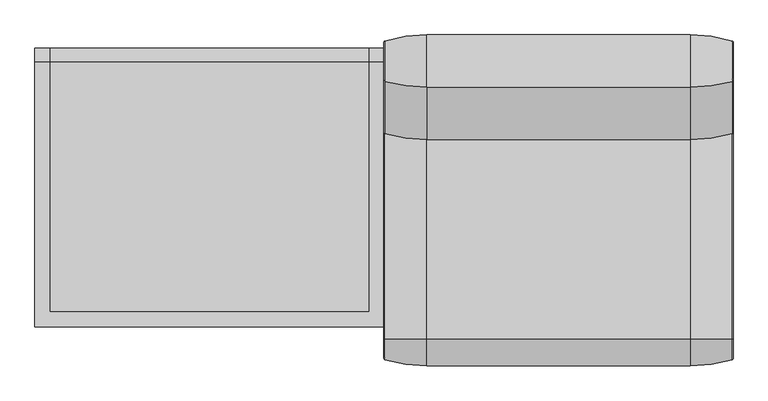
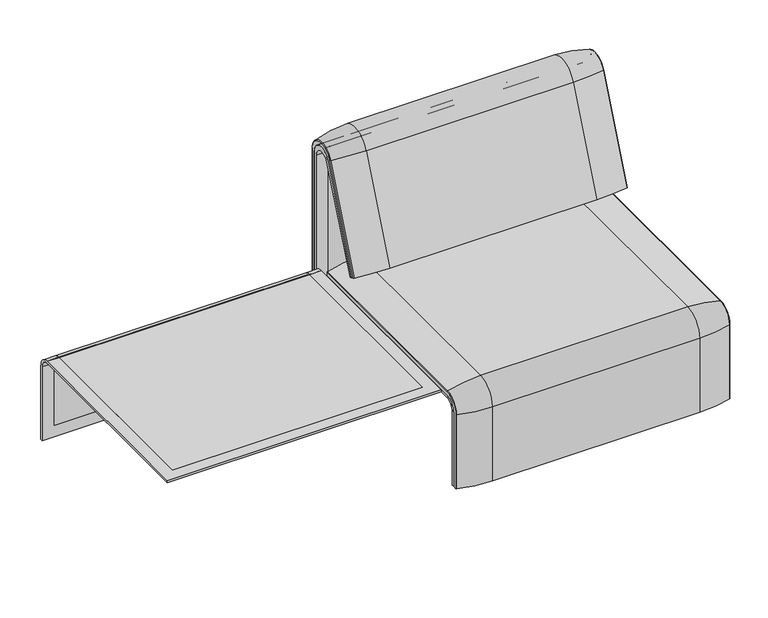
"""IFC4 building model written with IfcOpenShell, lengths in millimetres: furniture geometry."""

from ifc_helpers import new_model, si_unit, point, frame, frame_2d, origin, place, context, project, spatial, polyline, circle_curve, ellipse_curve, trimmed, segment, composite_curve, outline, extrude, source, transform, mapped, element, save
from ifc_brep_helpers import plane_surface, cylinder_surface, revolved_surface, advanced_brep


def furniture_60d83155(model_context):
    return source(origin(), model_context, "Body", "SolidModel", [
        advanced_brep(
        [(0.0, 295.0, 359.922434), (0.0, 295.0, 366.172434), (815.9812488, 295.0, 366.172434), (815.9812488, 295.0, 359.922434), (0.0, -357.5, 333.0583003), (0.0, -357.5, 100.5089435), (815.9812488, -357.5, 100.5089435), (815.9812488, -357.5, 333.0583003), (781.0812488, -357.5, 333.0583003), (781.0812488, -357.5, 135.3766997), (34.9, -357.5, 135.3766997), (34.9, -357.5, 333.0583003), (0.0, -323.7517936, 359.922434), (815.9812488, -323.7517936, 359.922434), (781.0812488, -323.7517936, 359.922434), (781.0812488, 260.0, 359.922434), (34.9, 260.0, 359.922434), (34.9, -323.7517936, 359.922434), (781.0812488, -351.0, 135.3766997), (781.0812488, -324.3858663, 366.172434), (781.0812488, 260.0, 366.172434), (781.0812488, -351.0, 332.6742277), (34.9, 260.0, 366.172434), (0.0, -351.0, 332.6742277), (0.0, -351.0, 100.5089435), (0.0, -324.3858663, 366.172434), (815.9812488, -324.3858663, 366.172434), (815.9812488, -351.0, 100.5089435), (815.9812488, -351.0, 332.6742277), (34.9, -324.3858663, 366.172434), (34.9, -351.0, 332.6742277), (34.9, -351.0, 135.3766997)],
        [
            (0, 1),
            (1, 2),
            (2, 3),
            (3, 0),
            (4, 5),
            (5, 6),
            (6, 7),
            (7, 8),
            (8, 9),
            (9, 10),
            (10, 11),
            (11, 4),
            (12, 0),
            (3, 13),
            (13, 14),
            (14, 15),
            (15, 16),
            (16, 17),
            (17, 12),
            (18, 9),
            (8, 19, circle_curve(frame((781.0812488, -324.3858663, 333.0583003), z_axis=(-1.0, 0.0, 0.0), x_axis=(0.0, -1.0, 0.0)), 33.1141337)),
            (19, 20),
            (20, 15),
            (14, 21, circle_curve(frame((781.0812488, -323.7517936, 332.6742277), z_axis=(1.0, 0.0, 0.0), x_axis=(0.0, -1.0, 0.0)), 27.2482064)),
            (21, 18),
            (22, 16),
            (20, 22),
            (12, 23, circle_curve(frame((0.0, -323.7517936, 332.6742277), z_axis=(1.0, 0.0, 0.0), x_axis=(0.0, -1.0, 0.0)), 27.2482064)),
            (23, 24),
            (24, 5),
            (4, 25, circle_curve(frame((0.0, -324.3858663, 333.0583003), z_axis=(-1.0, 0.0, 0.0), x_axis=(0.0, -1.0, 0.0)), 33.1141337)),
            (25, 1),
            (2, 26),
            (26, 7, circle_curve(frame((815.9812488, -324.3858663, 333.0583003), z_axis=(1.0, 0.0, 0.0), x_axis=(0.0, -1.0, 0.0)), 33.1141337)),
            (6, 27),
            (27, 28),
            (28, 13, circle_curve(frame((815.9812488, -323.7517936, 332.6742277), z_axis=(-1.0, 0.0, 0.0), x_axis=(0.0, -1.0, 0.0)), 27.2482064)),
            (25, 29),
            (29, 22),
            (19, 26),
            (11, 29, circle_curve(frame((34.9, -324.3858663, 333.0583003), z_axis=(-1.0, 0.0, 0.0), x_axis=(0.0, -1.0, 0.0)), 33.1141337)),
            (24, 27),
            (23, 30),
            (30, 31),
            (31, 18),
            (21, 28),
            (17, 30, circle_curve(frame((34.9, -323.7517936, 332.6742277), z_axis=(1.0, 0.0, 0.0), x_axis=(0.0, -1.0, 0.0)), 27.2482064)),
            (10, 31),
        ],
        [
            plane_surface(frame((0.0, 295.0, 366.172434), z_axis=(0.0, 1.0, 0.0), x_axis=(1.0, 0.0, 0.0))),
            plane_surface(frame((0.0, -357.5, 100.5089435), z_axis=(0.0, -1.0, 0.0), x_axis=(1.0, 0.0, 0.0))),
            plane_surface(frame((0.0, 295.0, 359.922434), z_axis=(0.0, 0.0, -1.0), x_axis=(1.0, 0.0, 0.0))),
            plane_surface(frame((781.0812488, -296.9265415, 359.922434), z_axis=(-1.0, 0.0, 0.0), x_axis=(0.0, 1.0, 0.0))),
            plane_surface(frame((34.9, 260.0, 366.172434), z_axis=(0.0, -1.0, 0.0), x_axis=(1.0, 0.0, 0.0))),
            plane_surface(frame((0.0, -296.9265415, 359.922434), z_axis=(-1.0, 0.0, 0.0), x_axis=(0.0, -1.0, 0.0))),
            plane_surface(frame((815.9812488, -296.9265415, 359.922434), z_axis=(1.0, 0.0, 0.0), x_axis=(0.0, 1.0, 0.0))),
            plane_surface(frame((0.0, -324.3858663, 366.172434), z_axis=(0.0, 0.0, 1.0), x_axis=(1.0, 0.0, 0.0))),
            cylinder_surface(frame((815.9812488, -324.3858663, 333.0583003), z_axis=(-1.0, 0.0, 0.0), x_axis=(0.0, -1.0, 0.0)), 33.1141337),
            plane_surface(frame((0.0, -351.0, 100.5089435), z_axis=(0.0, 0.0, -1.0), x_axis=(1.0, 0.0, 0.0))),
            plane_surface(frame((0.0, -351.0, 332.6742277), z_axis=(0.0, 1.0, 0.0), x_axis=(1.0, 0.0, 0.0))),
            revolved_surface(polyline([(34.89999999999998, -351.0, 332.6742277), (0.0, -351.0, 332.6742277)]), (815.9812488, -323.7517936, 332.6742277), (1.0, 0.0, 0.0)),
            revolved_surface(polyline([(815.9812488, -351.0, 332.6742277), (781.0812488, -351.0, 332.6742277)]), (815.9812488, -323.7517936, 332.6742277), (1.0, 0.0, 0.0)),
            plane_surface(frame((34.9, -296.9265415, 359.922434), z_axis=(1.0, 0.0, 0.0), x_axis=(0.0, -1.0, 0.0))),
            plane_surface(frame((34.9, -351.0, 135.3766997), z_axis=(0.0, 0.0, 1.0), x_axis=(1.0, 0.0, 0.0))),
        ],
        [
            (0, [[1, 2, 3, 4]]),
            (1, [[5, 6, 7, 8, 9, 10, 11, 12]]),
            (2, [[13, -4, 14, 15, 16, 17, 18, 19]]),
            (3, [[20, -9, 21, 22, 23, -16, 24, 25]]),
            (4, [[26, -17, -23, 27]]),
            (5, [[-13, 28, 29, 30, -5, 31, 32, -1]]),
            (6, [[-3, 33, 34, -7, 35, 36, 37, -14]]),
            (7, [[-32, 38, 39, -27, -22, 40, -33, -2]]),
            (8, [[-34, -40, -21, -8]]),
            (8, [[-31, -12, 41, -38]]),
            (9, [[-30, 42, -35, -6]]),
            (10, [[-29, 43, 44, 45, -25, 46, -36, -42]]),
            (11, [[-28, -19, 47, -43]]),
            (12, [[-37, -46, -24, -15]]),
            (13, [[-26, -39, -41, -11, 48, -44, -47, -18]]),
            (14, [[-48, -10, -20, -45]]),
        ],
    ),
        extrude(outline(composite_curve([segment(polyline([(260.0, 359.922434), (-323.7517936, 359.922434)]), True, "CONTINUOUS"), segment(trimmed(circle_curve(frame_2d((-323.7517936, 332.6742277)), 27.2482064), [point((-323.7517936, 359.922434))], [point((-351.0, 332.6742277))], True, "CARTESIAN"), True, "CONTINUOUS"), segment(polyline([(-351.0, 332.6742277), (-351.0, 135.3766997), (-357.5, 135.3766997), (-357.5, 333.0583003)]), True, "CONTINUOUS"), segment(trimmed(circle_curve(frame_2d((-324.3858663, 333.0583003)), 33.1141337), [point((-357.5, 333.0583003))], [point((-324.3858663, 366.172434))], False, "CARTESIAN"), True, "CONTINUOUS"), segment(polyline([(-324.3858663, 366.172434), (260.0, 366.172434), (260.0, 359.922434)]), True, "CONTINUOUS")], self_intersect=False)), frame((34.9, 0.0, 0.0), z_axis=(1.0, 0.0, 0.0), x_axis=(0.0, 1.0, 0.0)), (0.0, 0.0, 1.0), 746.1812488),
        advanced_brep(
        [(0.0, -368.7793679, 100.5089435), (0.0, -357.5, 100.5089435), (815.9812488, -357.5, 100.5089435), (815.9812488, -368.7793679, 100.5089435), (813.8426203, -371.6530483, 100.5089435), (715.9812488, -386.0043559, 100.5089435), (100.0, -386.0043559, 100.5089435), (2.1386285, -371.6530483, 100.5089435), (0.0, 295.0, 377.4518019), (2.1386285, 295.0, 380.3254823), (100.0, 295.0, 394.67679), (715.9812488, 295.0, 394.67679), (813.8426203, 295.0, 380.3254823), (815.9812488, 295.0, 377.4518019), (815.9812488, 295.0, 366.172434), (0.0, 295.0, 366.172434), (0.0, -368.7793679, 333.0583003), (0.0, -324.3858663, 377.4518019), (0.0, -324.3858663, 366.172434), (0.0, -357.5, 333.0583003), (815.9812488, -357.5, 333.0583003), (715.9812488, -386.0043559, 333.0583003), (100.0, -386.0043559, 333.0583003), (2.1386285, -371.6530483, 333.0583003), (815.9812488, -324.3858663, 366.172434), (100.0, -324.3858663, 394.67679), (715.9812488, -324.3858663, 394.67679), (2.1386285, -324.3858663, 380.3254823), (815.9812488, -324.3858663, 377.4518019), (815.9812488, -368.7793679, 333.0583003), (813.8426203, -371.6530483, 333.0583003), (813.8426203, -324.3858663, 380.3254823)],
        [
            (0, 1),
            (1, 2),
            (2, 3),
            (3, 4, circle_curve(frame((812.9812488, -368.7793679, 100.5089435), z_axis=(0.0, 0.0, -1.0), x_axis=(-1.0, 0.0, 0.0)), 3.0)),
            (4, 5, circle_curve(frame((715.9812488, -45.1710226, 100.5089435), z_axis=(0.0, 0.0, -1.0), x_axis=(0.0, 1.0, 0.0)), 340.8333333)),
            (5, 6),
            (6, 7, circle_curve(frame((100.0, -45.1710226, 100.5089435), z_axis=(0.0, 0.0, -1.0), x_axis=(0.0, 1.0, 0.0)), 340.8333333)),
            (7, 0, circle_curve(frame((3.0, -368.7793679, 100.5089435), z_axis=(0.0, 0.0, -1.0), x_axis=(1.0, 0.0, 0.0)), 3.0)),
            (8, 9, circle_curve(frame((3.0, 295.0, 377.4518019), z_axis=(0.0, 1.0, 0.0), x_axis=(1.0, 0.0, 0.0)), 3.0)),
            (9, 10, circle_curve(frame((100.0, 295.0, 53.8434566), z_axis=(0.0, 1.0, 0.0), x_axis=(0.0, 0.0, -1.0)), 340.8333333)),
            (10, 11),
            (11, 12, circle_curve(frame((715.9812488, 295.0, 53.8434566), z_axis=(0.0, 1.0, 0.0), x_axis=(0.0, 0.0, -1.0)), 340.8333333)),
            (12, 13, circle_curve(frame((812.9812488, 295.0, 377.4518019), z_axis=(0.0, 1.0, 0.0), x_axis=(-1.0, 0.0, 0.0)), 3.0)),
            (13, 14),
            (14, 15),
            (15, 8),
            (0, 16),
            (16, 17, circle_curve(frame((0.0, -324.3858663, 333.0583003), z_axis=(-1.0, 0.0, 0.0), x_axis=(0.0, -1.0, 0.0)), 44.3935016)),
            (17, 8),
            (15, 18),
            (18, 19, circle_curve(frame((0.0, -324.3858663, 333.0583003), z_axis=(1.0, 0.0, 0.0), x_axis=(0.0, -1.0, 0.0)), 33.1141337)),
            (19, 1),
            (19, 20),
            (20, 2),
            (5, 21),
            (21, 22),
            (22, 6),
            (22, 23, circle_curve(frame((100.0, -45.1710226, 333.0583003), z_axis=(0.0, 0.0, -1.0), x_axis=(0.0, 1.0, 0.0)), 340.8333333)),
            (23, 7),
            (23, 16, circle_curve(frame((3.0, -368.7793679, 333.0583003), z_axis=(0.0, 0.0, -1.0), x_axis=(1.0, 0.0, 0.0)), 3.0)),
            (24, 20, circle_curve(frame((815.9812488, -324.3858663, 333.0583003), z_axis=(1.0, 0.0, 0.0), x_axis=(0.0, -1.0, 0.0)), 33.1141337)),
            (18, 24),
            (25, 22, circle_curve(frame((100.0, -324.3858663, 333.0583003), z_axis=(1.0, 0.0, 0.0), x_axis=(0.0, -1.0, 0.0)), 61.6184897)),
            (21, 26, circle_curve(frame((715.9812488, -324.3858663, 333.0583003), z_axis=(-1.0, 0.0, 0.0), x_axis=(0.0, -1.0, 0.0)), 61.6184897)),
            (26, 25),
            (27, 23, circle_curve(frame((2.1386285, -324.3858663, 333.0583003), z_axis=(1.0, 0.0, 0.0), x_axis=(0.0, -1.0, 0.0)), 47.267182)),
            (25, 27, circle_curve(frame((100.0, -324.3858663, 53.8434566), z_axis=(0.0, -1.0, 0.0), x_axis=(0.0, 0.0, -1.0)), 340.8333333)),
            (27, 17, circle_curve(frame((3.0, -324.3858663, 377.4518019), z_axis=(0.0, -1.0, 0.0), x_axis=(1.0, 0.0, 0.0)), 3.0)),
            (14, 24),
            (26, 11),
            (10, 25),
            (9, 27),
            (13, 28),
            (28, 29, circle_curve(frame((815.9812488, -324.3858663, 333.0583003), z_axis=(1.0, 0.0, 0.0), x_axis=(0.0, -1.0, 0.0)), 44.3935016)),
            (29, 3),
            (29, 30, circle_curve(frame((812.9812488, -368.7793679, 333.0583003), z_axis=(0.0, 0.0, -1.0), x_axis=(-1.0, 0.0, 0.0)), 3.0)),
            (30, 4),
            (30, 21, circle_curve(frame((715.9812488, -45.1710226, 333.0583003), z_axis=(0.0, 0.0, -1.0), x_axis=(0.0, 1.0, 0.0)), 340.8333333)),
            (31, 30, circle_curve(frame((813.8426203, -324.3858663, 333.0583003), z_axis=(1.0, 0.0, 0.0), x_axis=(0.0, -1.0, 0.0)), 47.267182)),
            (28, 31, circle_curve(frame((812.9812488, -324.3858663, 377.4518019), z_axis=(0.0, -1.0, 0.0), x_axis=(-1.0, 0.0, 0.0)), 3.0)),
            (31, 26, circle_curve(frame((715.9812488, -324.3858663, 53.8434566), z_axis=(0.0, -1.0, 0.0), x_axis=(0.0, 0.0, -1.0)), 340.8333333)),
            (12, 31),
        ],
        [
            plane_surface(frame((0.0, -357.5, 100.5089435), z_axis=(0.0, 0.0, -1.0), x_axis=(1.0, 0.0, 0.0))),
            plane_surface(frame((0.0, 295.0, 366.172434), z_axis=(0.0, 1.0, 0.0), x_axis=(1.0, 0.0, 0.0))),
            plane_surface(frame((0.0, -368.7793679, 100.5089435), z_axis=(-1.0, 0.0, 0.0), x_axis=(0.0, 0.0, 1.0))),
            plane_surface(frame((0.0, -357.5, 100.5089435), z_axis=(0.0, 1.0, 0.0), x_axis=(0.0, 0.0, 1.0))),
            plane_surface(frame((715.9812488, -386.0043559, 100.5089435), z_axis=(0.0, -1.0, 0.0), x_axis=(0.0, 0.0, 1.0))),
            cylinder_surface(frame((100.0, -45.1710226, 100.5089435), z_axis=(0.0, 0.0, -1.0), x_axis=(0.0, 1.0, 0.0)), 340.8333333),
            cylinder_surface(frame((3.0, -368.7793679, 100.5089435), z_axis=(0.0, 0.0, -1.0), x_axis=(1.0, 0.0, 0.0)), 3.0),
            revolved_surface(polyline([(0.0, -357.5, 333.0583003), (815.9812488, -357.5, 333.0583003)]), (0.0, -324.3858663, 333.0583003), (-1.0, 0.0, 0.0)),
            cylinder_surface(frame((0.0, -324.3858663, 333.0583003), z_axis=(-1.0, 0.0, 0.0), x_axis=(0.0, -1.0, 0.0)), 61.6184897),
            revolved_surface(trimmed(ellipse_curve(frame((100.0, -45.1710226, 333.0583003), z_axis=(0.0, 0.0, -1.0), x_axis=(0.0, 1.0, 0.0)), 340.8333333, 340.8333333), [point((100.0, -386.0043559, 333.0583003))], [point((2.1386285, -371.6530483, 333.0583003))], True, "CARTESIAN"), (0.0, -324.3858663, 333.0583003), (-1.0, 0.0, 0.0)),
            revolved_surface(trimmed(ellipse_curve(frame((3.0, -368.7793679, 333.0583003), z_axis=(0.0, 0.0, -1.0), x_axis=(1.0, 0.0, 0.0)), 3.0, 3.0), [point((2.1386285, -371.6530483, 333.0583003))], [point((0.0, -368.7793679, 333.0583003))], True, "CARTESIAN"), (0.0, -324.3858663, 333.0583003), (-1.0, 0.0, 0.0)),
            plane_surface(frame((0.0, -324.3858663, 366.172434), z_axis=(0.0, 0.0, -1.0), x_axis=(0.0, 1.0, 0.0))),
            plane_surface(frame((715.9812488, -324.3858663, 394.67679), z_axis=(0.0, 0.0, 1.0), x_axis=(0.0, 1.0, 0.0))),
            cylinder_surface(frame((100.0, -324.3858663, 53.8434566), z_axis=(0.0, -1.0, 0.0), x_axis=(0.0, 0.0, -1.0)), 340.8333333),
            cylinder_surface(frame((3.0, -324.3858663, 377.4518019), z_axis=(0.0, -1.0, 0.0), x_axis=(1.0, 0.0, 0.0)), 3.0),
            plane_surface(frame((815.9812488, -357.5, 100.5089435), z_axis=(1.0, 0.0, 0.0), x_axis=(0.0, 0.0, 1.0))),
            cylinder_surface(frame((812.9812488, -368.7793679, 100.5089435), z_axis=(0.0, 0.0, -1.0), x_axis=(-1.0, 0.0, 0.0)), 3.0),
            cylinder_surface(frame((715.9812488, -45.1710226, 100.5089435), z_axis=(0.0, 0.0, -1.0), x_axis=(0.0, 1.0, 0.0)), 340.8333333),
            revolved_surface(trimmed(ellipse_curve(frame((812.9812488, -368.7793679, 333.0583003), z_axis=(0.0, 0.0, -1.0), x_axis=(-1.0, 0.0, 0.0)), 3.0, 3.0), [point((815.9812488, -368.7793679, 333.0583003))], [point((813.8426203, -371.6530483, 333.0583003))], True, "CARTESIAN"), (0.0, -324.3858663, 333.0583003), (-1.0, 0.0, 0.0)),
            revolved_surface(trimmed(ellipse_curve(frame((715.9812488, -45.1710226, 333.0583003), z_axis=(0.0, 0.0, -1.0), x_axis=(0.0, 1.0, 0.0)), 340.8333333, 340.8333333), [point((813.8426203, -371.6530483, 333.0583003))], [point((715.9812488, -386.0043559, 333.0583003))], True, "CARTESIAN"), (0.0, -324.3858663, 333.0583003), (-1.0, 0.0, 0.0)),
            cylinder_surface(frame((812.9812488, -324.3858663, 377.4518019), z_axis=(0.0, -1.0, 0.0), x_axis=(-1.0, 0.0, 0.0)), 3.0),
            cylinder_surface(frame((715.9812488, -324.3858663, 53.8434566), z_axis=(0.0, -1.0, 0.0), x_axis=(0.0, 0.0, -1.0)), 340.8333333),
        ],
        [
            (0, [[1, 2, 3, 4, 5, 6, 7, 8]]),
            (1, [[9, 10, 11, 12, 13, 14, 15, 16]]),
            (2, [[-1, 17, 18, 19, -16, 20, 21, 22]]),
            (3, [[-2, -22, 23, 24]]),
            (4, [[-6, 25, 26, 27]]),
            (5, [[-7, -27, 28, 29]]),
            (6, [[-8, -29, 30, -17]]),
            (7, [[31, -23, -21, 32]]),
            (8, [[33, -26, 34, 35]]),
            (9, [[36, -28, -33, 37]]),
            (10, [[-18, -30, -36, 38]]),
            (11, [[-32, -20, -15, 39]]),
            (12, [[-35, 40, -11, 41]]),
            (13, [[-37, -41, -10, 42]]),
            (14, [[-38, -42, -9, -19]]),
            (15, [[-3, -24, -31, -39, -14, 43, 44, 45]]),
            (16, [[-4, -45, 46, 47]]),
            (17, [[-5, -47, 48, -25]]),
            (18, [[49, -46, -44, 50]]),
            (19, [[-34, -48, -49, 51]]),
            (20, [[-50, -43, -13, 52]]),
            (21, [[-51, -52, -12, -40]]),
        ],
    ),
        advanced_brep(
        [(781.0812488, 176.0980387, 452.25948), (781.0812488, 181.0136548, 450.2250668), (34.9, 181.0136548, 450.2250668), (34.9, 176.0980387, 452.25948), (815.997793, 351.0000061, 101.8476716), (815.997793, 351.0000061, 712.9272623), (781.0812488, 351.0000061, 712.9272623), (781.0812488, 351.0000061, 135.3766997), (34.9, 351.0000061, 135.3766997), (34.9, 351.0000061, 712.9272623), (0.0165441, 351.0000061, 712.9272623), (0.0165441, 351.0000061, 101.8476716), (815.997793, 359.7858817, 101.8476716), (815.997793, 359.7858817, 720.3417731), (815.997793, 292.4403877, 733.7122262), (815.997793, 170.1966807, 437.98305), (815.997793, 175.0204081, 435.9866665), (815.997793, 296.2458652, 723.9869215), (0.0165441, 296.2720241, 723.9759107), (0.0165441, 175.0204081, 435.9866665), (0.0165441, 170.1966807, 437.98305), (0.0165441, 292.4403877, 733.7122262), (0.0165441, 359.7858817, 720.3417731), (0.0165441, 359.7858817, 101.8476716), (781.0812488, 292.4403877, 733.7122262), (34.9, 292.4403877, 733.7122262), (34.9, 296.2458652, 723.9869215), (781.0812488, 296.2458652, 723.9869215), (34.9, 359.7858817, 720.3417731), (34.9, 359.7858817, 135.3766997), (781.0812488, 359.7858817, 135.3766997), (781.0812488, 359.7858817, 720.3417731)],
        [
            (0, 1),
            (1, 2),
            (2, 3),
            (3, 0),
            (4, 5),
            (5, 6),
            (6, 7),
            (7, 8),
            (8, 9),
            (9, 10),
            (10, 11),
            (11, 4),
            (4, 12),
            (12, 13),
            (13, 14, circle_curve(frame((815.997793, 324.7858817, 720.3417731), z_axis=(1.0, 0.0, 0.0), x_axis=(0.0, -1.0, 0.0)), 35.0)),
            (14, 15),
            (15, 16),
            (16, 17),
            (17, 5, circle_curve(frame((815.997793, 322.520748, 712.9272623), z_axis=(-1.0, 0.0, 0.0), x_axis=(0.0, -1.0, 0.0)), 28.479258)),
            (10, 18, circle_curve(frame((0.0165441, 322.520748, 712.9272623), z_axis=(1.0, 0.0, 0.0), x_axis=(0.0, -1.0, 0.0)), 28.479258)),
            (18, 19),
            (19, 20),
            (20, 21),
            (21, 22, circle_curve(frame((0.0165441, 324.7858817, 720.3417731), z_axis=(-1.0, 0.0, 0.0), x_axis=(0.0, -1.0, 0.0)), 35.0)),
            (22, 23),
            (23, 11),
            (14, 24),
            (24, 0),
            (3, 25),
            (25, 21),
            (20, 15),
            (19, 16),
            (18, 26),
            (26, 2),
            (1, 27),
            (27, 17),
            (23, 12),
            (22, 28),
            (28, 29),
            (29, 30),
            (30, 31),
            (31, 13),
            (31, 24, circle_curve(frame((781.0812488, 324.7858817, 720.3417731), z_axis=(1.0, 0.0, 0.0), x_axis=(0.0, -1.0, 0.0)), 35.0)),
            (25, 28, circle_curve(frame((34.9, 324.7858817, 720.3417731), z_axis=(-1.0, 0.0, 0.0), x_axis=(0.0, -1.0, 0.0)), 35.0)),
            (27, 6, circle_curve(frame((781.0812488, 322.520748, 712.9272623), z_axis=(-1.0, 0.0, 0.0), x_axis=(0.0, -1.0, 0.0)), 28.479258)),
            (9, 26, circle_curve(frame((34.9, 322.520748, 712.9272623), z_axis=(1.0, 0.0, 0.0), x_axis=(0.0, -1.0, 0.0)), 28.479258)),
            (30, 7),
            (8, 29),
        ],
        [
            plane_surface(frame((781.0812488, 166.9120641, 456.0612553), z_axis=(0.0, 0.38241039441982605, 0.9239925812687422), x_axis=(-1.0, 0.0, 0.0))),
            plane_surface(frame((815.997793, 351.0000061, 712.9272623), z_axis=(0.0, -1.0, 0.0), x_axis=(-1.0, 0.0, 0.0))),
            plane_surface(frame((815.997793, 359.7858817, 101.8476716), z_axis=(1.0, 0.0, 0.0), x_axis=(0.0, 1.0, 0.0))),
            plane_surface(frame((0.0165441, 359.7858817, 101.8476716), z_axis=(-1.0, 0.0, 0.0), x_axis=(0.0, -1.0, 0.0))),
            plane_surface(frame((815.997793, 292.4403877, 733.7122262), z_axis=(0.0, -0.9241569717933176, 0.3820129467515535), x_axis=(-1.0, 0.0, 0.0))),
            plane_surface(frame((815.997793, 170.1966807, 437.98305), z_axis=(0.0, -0.38241039441983893, -0.9239925812687368), x_axis=(-1.0, 0.0, 0.0))),
            plane_surface(frame((815.997793, 175.0204081, 435.9866665), z_axis=(0.0, 0.921678643444566, -0.3879542218073993), x_axis=(-1.0, 0.0, 0.0))),
            plane_surface(frame((815.997793, 351.0000061, 101.8476716), z_axis=(0.0, 0.0, -1.0), x_axis=(-1.0, 0.0, 0.0))),
            plane_surface(frame((815.997793, 359.7858817, 101.8476716), z_axis=(0.0, 1.0, 0.0), x_axis=(-1.0, 0.0, 0.0))),
            cylinder_surface(frame((0.0165441, 324.7858817, 720.3417731), z_axis=(1.0, 0.0, 0.0), x_axis=(0.0, -1.0, 0.0)), 35.0),
            revolved_surface(polyline([(781.0812488, 294.04149, 712.9272623), (815.997793, 294.04149, 712.9272623)]), (0.0165441, 322.520748, 712.9272623), (-1.0, 0.0, 0.0)),
            revolved_surface(polyline([(0.0165441, 294.04149, 712.9272623), (34.9, 294.04149, 712.9272623)]), (0.0165441, 322.520748, 712.9272623), (-1.0, 0.0, 0.0)),
            plane_surface(frame((781.0812488, 359.7858817, 135.3766997), z_axis=(-1.0, 0.0, 0.0), x_axis=(0.0, 1.0, 0.0))),
            plane_surface(frame((34.9, 359.7858817, 135.3766997), z_axis=(1.0, 0.0, 0.0), x_axis=(0.0, -1.0, 0.0))),
            plane_surface(frame((781.0812488, 344.7858817, 135.3766997), z_axis=(0.0, 0.0, 1.0), x_axis=(-1.0, 0.0, 0.0))),
        ],
        [
            (0, [[1, 2, 3, 4]]),
            (1, [[5, 6, 7, 8, 9, 10, 11, 12]]),
            (2, [[13, 14, 15, 16, 17, 18, 19, -5]]),
            (3, [[-11, 20, 21, 22, 23, 24, 25, 26]]),
            (4, [[-16, 27, 28, -4, 29, 30, -23, 31]]),
            (5, [[-17, -31, -22, 32]]),
            (6, [[-18, -32, -21, 33, 34, -2, 35, 36]]),
            (7, [[-13, -12, -26, 37]]),
            (8, [[-14, -37, -25, 38, 39, 40, 41, 42]]),
            (9, [[-15, -42, 43, -27]]),
            (9, [[-24, -30, 44, -38]]),
            (10, [[-19, -36, 45, -6]]),
            (11, [[-20, -10, 46, -33]]),
            (12, [[-1, -28, -43, -41, 47, -7, -45, -35]]),
            (13, [[48, -39, -44, -29, -3, -34, -46, -9]]),
            (14, [[-47, -40, -48, -8]]),
        ],
    ),
        advanced_brep(
        [(34.9, 351.0000061, 135.3766997), (34.9, 351.0000061, 712.9272623), (34.9, 296.2720241, 723.9759107), (34.9, 181.0136548, 450.2250668), (34.9, 176.0980387, 452.25948), (34.9, 292.4403877, 733.7122262), (34.9, 359.7858817, 720.3417731), (34.9, 359.7858817, 135.3766997), (781.0812488, 176.0980387, 452.25948), (781.0812488, 292.4403877, 733.7122262), (781.0812488, 181.0136548, 450.2250668), (781.0812488, 296.2458652, 723.9869215), (781.0812488, 351.0000061, 135.3766997), (781.0812488, 351.0000061, 712.9272623), (781.0812488, 359.7858817, 135.3766997), (781.0812488, 359.7858817, 720.3417731)],
        [
            (0, 1),
            (1, 2, circle_curve(frame((34.9, 322.520748, 712.9272623), z_axis=(1.0, 0.0, 0.0), x_axis=(0.0, -1.0, 0.0)), 28.479258)),
            (2, 3),
            (3, 4),
            (4, 5),
            (5, 6, circle_curve(frame((34.9, 324.7858817, 720.3417731), z_axis=(-1.0, 0.0, 0.0), x_axis=(0.0, -1.0, 0.0)), 35.0)),
            (6, 7),
            (7, 0),
            (8, 9),
            (9, 5),
            (4, 8),
            (10, 8),
            (3, 10),
            (11, 10),
            (2, 11),
            (12, 13),
            (13, 1),
            (0, 12),
            (12, 14),
            (14, 15),
            (15, 9, circle_curve(frame((781.0812488, 324.7858817, 720.3417731), z_axis=(1.0, 0.0, 0.0), x_axis=(0.0, -1.0, 0.0)), 35.0)),
            (11, 13, circle_curve(frame((781.0812488, 322.520748, 712.9272623), z_axis=(-1.0, 0.0, 0.0), x_axis=(0.0, -1.0, 0.0)), 28.479258)),
            (7, 14),
            (6, 15),
        ],
        [
            plane_surface(frame((34.9, 359.7858817, 135.3766997), z_axis=(-1.0, 0.0, 0.0), x_axis=(0.0, -1.0, 0.0))),
            plane_surface(frame((781.0812488, 292.4403877, 733.7122262), z_axis=(0.0, -0.9241569717933176, 0.3820129467515535), x_axis=(-1.0, 0.0, 0.0))),
            plane_surface(frame((781.0812488, 176.0980387, 452.25948), z_axis=(0.0, -0.38241039441982716, -0.9239925812687417), x_axis=(-1.0, 0.0, 0.0))),
            plane_surface(frame((781.0812488, 181.0136548, 450.2250668), z_axis=(0.0, 0.921678643444566, -0.3879542218073993), x_axis=(-1.0, 0.0, 0.0))),
            plane_surface(frame((781.0812488, 351.0000061, 712.9272623), z_axis=(0.0, -1.0, 0.0), x_axis=(-1.0, 0.0, 0.0))),
            plane_surface(frame((781.0812488, 359.7858817, 135.3766997), z_axis=(1.0, 0.0, 0.0), x_axis=(0.0, 1.0, 0.0))),
            plane_surface(frame((781.0812488, 351.0000061, 135.3766997), z_axis=(0.0, 0.0, -1.0), x_axis=(-1.0, 0.0, 0.0))),
            plane_surface(frame((781.0812488, 359.7858817, 135.3766997), z_axis=(0.0, 1.0, 0.0), x_axis=(-1.0, 0.0, 0.0))),
            cylinder_surface(frame((34.9, 324.7858817, 720.3417731), z_axis=(1.0, 0.0, 0.0), x_axis=(0.0, -1.0, 0.0)), 35.0),
            revolved_surface(polyline([(34.9, 294.04149, 712.9272623), (781.0812488, 294.04149, 712.9272623)]), (34.9, 322.520748, 712.9272623), (-1.0, 0.0, 0.0)),
        ],
        [
            (0, [[1, 2, 3, 4, 5, 6, 7, 8]]),
            (1, [[9, 10, -5, 11]]),
            (2, [[12, -11, -4, 13]]),
            (3, [[14, -13, -3, 15]]),
            (4, [[16, 17, -1, 18]]),
            (5, [[19, 20, 21, -9, -12, -14, 22, -16]]),
            (6, [[-19, -18, -8, 23]]),
            (7, [[-20, -23, -7, 24]]),
            (8, [[-21, -24, -6, -10]]),
            (9, [[-22, -15, -2, -17]]),
        ],
    ),
        extrude(outline(composite_curve([segment(trimmed(circle_curve(frame_2d((305.0000061, 379.9223263)), 30.0), [point((305.0000061, 349.9223263))], [point((335.0000061, 379.9223263))], True, "CARTESIAN"), True, "CONTINUOUS"), segment(polyline([(335.0000061, 379.9223263), (335.0000061, 515.0657595)]), True, "CONTINUOUS"), segment(trimmed(circle_curve(frame_2d((305.0000061, 515.0657595)), 30.0), [point((335.0000061, 515.0657595))], [point((316.7219399, 542.6809051))], True, "CARTESIAN"), True, "CONTINUOUS"), segment(polyline([(316.7219399, 542.6809051), (257.4911714, 567.8228747)]), True, "CONTINUOUS"), segment(trimmed(circle_curve(frame_2d((251.6302045, 554.0153019)), 15.0), [point((257.4911714, 567.8228747))], [point((238.0355877, 560.3545758))], True, "CARTESIAN"), True, "CONTINUOUS"), segment(polyline([(238.0355877, 560.3545758), (222.2725218, 526.5505721), (213.7507451, 529.5682915), (296.3054528, 724.0549949)]), True, "CONTINUOUS"), segment(trimmed(circle_curve(frame_2d((322.520748, 712.9272623)), 28.479258), [point((296.3054528, 724.0549949))], [point((351.0000061, 712.9272623))], False, "CARTESIAN"), True, "CONTINUOUS"), segment(polyline([(351.0000061, 712.9272623), (351.0000061, 197.0551771), (343.3075759, 197.0551771), (339.4064861, 271.492405)]), True, "CONTINUOUS"), segment(trimmed(circle_curve(frame_2d((309.4476, 269.9223263)), 30.0), [point((339.4064861, 271.492405))], [point((309.4476, 299.9223263))], True, "CARTESIAN"), True, "CONTINUOUS"), segment(polyline([(309.4476, 299.9223263), (270.0000061, 299.9223263), (270.0000061, 359.9223263), (275.0000061, 359.9223263)]), True, "CONTINUOUS"), segment(trimmed(circle_curve(frame_2d((285.0000061, 359.9223263)), 10.0), [point((275.0000061, 359.9223263))], [point((285.0000061, 349.9223263))], True, "CARTESIAN"), True, "CONTINUOUS"), segment(polyline([(285.0000061, 349.9223263), (305.0000061, 349.9223263)]), True, "CONTINUOUS")], self_intersect=False), holes=[composite_curve([segment(polyline([(337.5000061, 576.3274105), (337.5000061, 716.7072663)]), True, "CONTINUOUS"), segment(trimmed(circle_curve(frame_2d((322.5000061, 716.7072663)), 15.0), [point((337.5000061, 716.7072663))], [point((308.9053893, 723.0465402))], True, "CARTESIAN"), True, "CONTINUOUS"), segment(polyline([(308.9053893, 723.0465402), (253.6256191, 604.4986904)]), True, "CONTINUOUS"), segment(trimmed(circle_curve(frame_2d((271.7517748, 596.0463251)), 20.0), [point((253.6256191, 604.4986904))], [point((265.0756376, 577.1934953))], True, "CARTESIAN"), True, "CONTINUOUS"), segment(polyline([(265.0756376, 577.1934953), (314.1406626, 559.8186587)]), True, "CONTINUOUS"), segment(trimmed(circle_curve(frame_2d((319.9867182, 576.3274105)), 17.5132879), [point((314.1406626, 559.8186587))], [point((337.5000061, 576.3274105))], True, "CARTESIAN"), True, "CONTINUOUS")], self_intersect=False)]), frame((652.9854212, 0.0, 0.0), z_axis=(1.0, 0.0, 0.0), x_axis=(0.0, 1.0, 0.0)), (0.0, 0.0, 1.0), 40.0),
        advanced_brep(
        [(813.8591645, 373.93893, 100.5089435), (715.997793, 388.2902376, 100.5089435), (715.997793, 388.2902376, 720.3417731), (813.8591645, 373.93893, 720.3417731), (-0.0165441, 292.4403877, 733.7122262), (-0.0165441, 359.7858817, 720.3417731), (815.997793, 359.7858817, 720.3417731), (815.997793, 292.4403877, 733.7122262), (99.9834559, 388.2902376, 100.5089435), (2.1220844, 373.93893, 100.5089435), (2.1220844, 373.93893, 720.3417731), (99.9834559, 388.2902376, 720.3417731), (2.1220844, 279.3607494, 739.1188739), (-0.0165441, 282.0164812, 738.0210907), (-0.0165441, 159.7723383, 442.2908598), (2.1220844, 157.1166065, 443.3886429), (99.9834559, 266.0978884, 744.6012592), (99.9834559, 143.8537454, 448.8710282), (815.997793, 371.0652495, 100.5089435), (815.997793, 359.7858817, 100.5089435), (-0.0165441, 359.7858817, 100.5089435), (-0.0165441, 371.0652495, 100.5089435), (815.997793, 371.0652495, 720.3417731), (815.997793, 282.0164812, 738.0210907), (815.997793, 159.7723383, 442.2908598), (815.997793, 170.1962447, 437.9819952), (715.997793, 143.8537454, 448.8710282), (-0.0165441, 170.1962447, 437.9819952), (813.8591645, 157.1166065, 443.3886429), (715.997793, 266.0978884, 744.6012592), (813.8591645, 279.3607494, 739.1188739), (-0.0165441, 371.0652495, 720.3417731)],
        [
            (0, 1, circle_curve(frame((715.997793, 47.4569043, 100.5089435), z_axis=(0.0, 0.0, 1.0), x_axis=(0.0, -1.0, 0.0)), 340.8333333)),
            (1, 2),
            (2, 3, circle_curve(frame((715.997793, 47.4569043, 720.3417731), z_axis=(0.0, 0.0, -1.0), x_axis=(0.0, -1.0, 0.0)), 340.8333333)),
            (3, 0),
            (4, 5, circle_curve(frame((-0.0165441, 324.7858817, 720.3417731), z_axis=(-1.0, 0.0, 0.0), x_axis=(0.0, 1.0, 0.0)), 35.0)),
            (5, 6),
            (6, 7, circle_curve(frame((815.997793, 324.7858817, 720.3417731), z_axis=(1.0, 0.0, 0.0), x_axis=(0.0, 1.0, 0.0)), 35.0)),
            (7, 4),
            (8, 9, circle_curve(frame((99.9834559, 47.4569043, 100.5089435), z_axis=(0.0, 0.0, 1.0), x_axis=(0.0, -1.0, 0.0)), 340.8333333)),
            (9, 10),
            (10, 11, circle_curve(frame((99.9834559, 47.4569043, 720.3417731), z_axis=(0.0, 0.0, -1.0), x_axis=(0.0, -1.0, 0.0)), 340.8333333)),
            (11, 8),
            (12, 13, circle_curve(frame((2.9834559, 282.0164812, 738.0210907), z_axis=(0.0, -0.38201294675155345, -0.9241569717933176), x_axis=(-1.0, 0.0, 0.0)), 3.0)),
            (13, 14),
            (14, 15, circle_curve(frame((2.9834559, 159.7723383, 442.2908598), z_axis=(0.0, 0.38201294675155345, 0.9241569717933176), x_axis=(-1.0, 0.0, 0.0)), 3.0)),
            (15, 12),
            (16, 12, circle_curve(frame((99.9834559, 581.0813896, 614.3985132), z_axis=(0.0, -0.38201294675155345, -0.9241569717933176), x_axis=(0.0, 0.9241569717933176, -0.38201294675155345)), 340.8333333)),
            (15, 17, circle_curve(frame((99.9834559, 458.8372467, 318.6682822), z_axis=(0.0, 0.38201294675155345, 0.9241569717933176), x_axis=(0.0, 0.9241569717933176, -0.38201294675155345)), 340.8333333)),
            (17, 16),
            (0, 18, circle_curve(frame((812.997793, 371.0652495, 100.5089435), z_axis=(0.0, 0.0, -1.0), x_axis=(1.0, 0.0, 0.0)), 3.0)),
            (18, 19),
            (19, 20),
            (20, 21),
            (21, 9, circle_curve(frame((2.9834559, 371.0652495, 100.5089435), z_axis=(0.0, 0.0, -1.0), x_axis=(-1.0, 0.0, 0.0)), 3.0)),
            (8, 1),
            (11, 2),
            (3, 22, circle_curve(frame((812.997793, 371.0652495, 720.3417731), z_axis=(0.0, 0.0, -1.0), x_axis=(1.0, 0.0, 0.0)), 3.0)),
            (22, 18),
            (22, 23, circle_curve(frame((815.997793, 324.7858817, 720.3417731), z_axis=(1.0, 0.0, 0.0), x_axis=(0.0, 1.0, 0.0)), 46.2793679)),
            (23, 24),
            (24, 25),
            (25, 7),
            (6, 19),
            (5, 20),
            (26, 17),
            (14, 27),
            (27, 25),
            (24, 28, circle_curve(frame((812.997793, 159.7723383, 442.2908598), z_axis=(0.0, -0.38201294675155345, -0.9241569717933176), x_axis=(1.0, 0.0, 0.0)), 3.0)),
            (28, 26, circle_curve(frame((715.997793, 458.8372467, 318.6682822), z_axis=(0.0, -0.38201294675155345, -0.9241569717933176), x_axis=(0.0, 0.9241569717933176, -0.38201294675155345)), 340.8333333)),
            (29, 2, circle_curve(frame((715.997793, 324.7858817, 720.3417731), z_axis=(-1.0, 0.0, 0.0), x_axis=(0.0, 1.0, 0.0)), 63.5043559)),
            (11, 16, circle_curve(frame((99.9834559, 324.7858817, 720.3417731), z_axis=(1.0, 0.0, 0.0), x_axis=(0.0, 1.0, 0.0)), 63.5043559)),
            (16, 29),
            (30, 3, circle_curve(frame((813.8591645, 324.7858817, 720.3417731), z_axis=(-1.0, 0.0, 0.0), x_axis=(0.0, 1.0, 0.0)), 49.1530483)),
            (29, 30, circle_curve(frame((715.997793, 581.0813896, 614.3985132), z_axis=(0.0, 0.382012946751556, 0.9241569717933165), x_axis=(0.0, 0.9241569717933165, -0.382012946751556)), 340.8333333)),
            (30, 23, circle_curve(frame((812.997793, 282.0164812, 738.0210907), z_axis=(0.0, 0.3820129467515552, 0.9241569717933168), x_axis=(1.0, 0.0, 0.0)), 3.0)),
            (26, 29),
            (28, 30),
            (27, 4),
            (13, 31, circle_curve(frame((-0.0165441, 324.7858817, 720.3417731), z_axis=(-1.0, 0.0, 0.0), x_axis=(0.0, 1.0, 0.0)), 46.2793679)),
            (31, 21),
            (31, 10, circle_curve(frame((2.9834559, 371.0652495, 720.3417731), z_axis=(0.0, 0.0, -1.0), x_axis=(-1.0, 0.0, 0.0)), 3.0)),
            (12, 10, circle_curve(frame((2.1220844, 324.7858817, 720.3417731), z_axis=(-1.0, 0.0, 0.0), x_axis=(0.0, 1.0, 0.0)), 49.1530483)),
        ],
        [
            cylinder_surface(frame((715.997793, 47.4569043, 100.5089435), z_axis=(0.0, 0.0, -1.0), x_axis=(0.0, -1.0, 0.0)), 340.8333333),
            revolved_surface(polyline([(815.997793, 359.7858817, 720.3417731), (-0.01654409999997597, 359.7858817, 720.3417731)]), (412.7556477, 324.7858817, 720.3417731), (1.0, 0.0, 0.0)),
            cylinder_surface(frame((99.9834559, 47.4569043, 100.5089435), z_axis=(0.0, 0.0, -1.0), x_axis=(0.0, -1.0, 0.0)), 340.8333333),
            cylinder_surface(frame((2.9834559, 282.0164812, 738.0210907), z_axis=(0.0, 0.38201294675155345, 0.9241569717933176), x_axis=(-1.0, 0.0, 0.0)), 3.0),
            cylinder_surface(frame((99.9834559, 581.0813896, 614.3985132), z_axis=(0.0, 0.38201294675155345, 0.9241569717933176), x_axis=(0.0, 0.9241569717933176, -0.38201294675155345)), 340.8333333),
            plane_surface(frame((412.7556477, 359.7858817, 100.5089435), z_axis=(0.0, 0.0, -1.0), x_axis=(1.0, 0.0, 0.0))),
            plane_surface(frame((99.9834559, 388.2902376, 100.5089435), z_axis=(0.0, 1.0, 0.0), x_axis=(0.0, 0.0, 1.0))),
            cylinder_surface(frame((812.997793, 371.0652495, 100.5089435), z_axis=(0.0, 0.0, -1.0), x_axis=(1.0, 0.0, 0.0)), 3.0),
            plane_surface(frame((815.997793, 371.0652495, 100.5089435), z_axis=(1.0, 0.0, 0.0), x_axis=(0.0, 0.0, 1.0))),
            plane_surface(frame((815.997793, 359.7858817, 100.5089435), z_axis=(0.0, -1.0, 0.0), x_axis=(0.0, 0.0, 1.0))),
            plane_surface(frame((412.7556477, 170.1962447, 437.9819952), z_axis=(0.0, -0.38201294675155345, -0.9241569717933176), x_axis=(1.0, 0.0, 0.0))),
            cylinder_surface(frame((412.7556477, 324.7858817, 720.3417731), z_axis=(1.0, 0.0, 0.0), x_axis=(0.0, 1.0, 0.0)), 63.5043559),
            revolved_surface(trimmed(ellipse_curve(frame((715.997793, 47.4569043, 720.3417731), z_axis=(0.0, 0.0, -1.0), x_axis=(0.0, -1.0, 0.0)), 340.8333333, 340.8333333), [point((715.997793, 388.2902376, 720.3417731))], [point((813.8591645, 373.93893, 720.3417731))], True, "CARTESIAN"), (412.7556477, 324.7858817, 720.3417731), (1.0, 0.0, 0.0)),
            revolved_surface(trimmed(ellipse_curve(frame((812.997793, 371.0652495, 720.3417731), z_axis=(0.0, 0.0, -1.0), x_axis=(1.0, 0.0, 0.0)), 3.0, 3.0), [point((813.8591645, 373.93893, 720.3417731))], [point((815.997793, 371.0652495, 720.3417731))], True, "CARTESIAN"), (412.7556477, 324.7858817, 720.3417731), (1.0, 0.0, 0.0)),
            plane_surface(frame((99.9834559, 266.0978884, 744.6012592), z_axis=(0.0, -0.9241569717933176, 0.38201294675155356), x_axis=(0.0, -0.38201294675155356, -0.9241569717933176))),
            cylinder_surface(frame((715.997793, 581.0813896, 614.3985132), z_axis=(0.0, 0.38201294675155345, 0.9241569717933176), x_axis=(0.0, 0.9241569717933176, -0.38201294675155345)), 340.8333333),
            cylinder_surface(frame((812.997793, 282.0164812, 738.0210907), z_axis=(0.0, 0.38201294675155345, 0.9241569717933176), x_axis=(1.0, 0.0, 0.0)), 3.0),
            plane_surface(frame((815.997793, 292.4403877, 733.7122262), z_axis=(0.0, 0.9241569717933176, -0.38201294675155356), x_axis=(0.0, -0.38201294675155356, -0.9241569717933176))),
            plane_surface(frame((-0.0165441, 359.7858817, 100.5089435), z_axis=(-1.0, 0.0, 0.0), x_axis=(0.0, 0.0, 1.0))),
            cylinder_surface(frame((2.9834559, 371.0652495, 100.5089435), z_axis=(0.0, 0.0, -1.0), x_axis=(-1.0, 0.0, 0.0)), 3.0),
            revolved_surface(trimmed(ellipse_curve(frame((2.9834559, 371.0652495, 720.3417731), z_axis=(0.0, 0.0, -1.0), x_axis=(-1.0, 0.0, 0.0)), 3.0, 3.0), [point((-0.0165441, 371.0652495, 720.3417731))], [point((2.1220844, 373.93893, 720.3417731))], True, "CARTESIAN"), (412.7556477, 324.7858817, 720.3417731), (1.0, 0.0, 0.0)),
            revolved_surface(trimmed(ellipse_curve(frame((99.9834559, 47.4569043, 720.3417731), z_axis=(0.0, 0.0, -1.0), x_axis=(0.0, -1.0, 0.0)), 340.8333333, 340.8333333), [point((2.1220844, 373.93893, 720.3417731))], [point((99.9834559, 388.2902376, 720.3417731))], True, "CARTESIAN"), (412.7556477, 324.7858817, 720.3417731), (1.0, 0.0, 0.0)),
        ],
        [
            (0, [[1, 2, 3, 4]]),
            (1, [[5, 6, 7, 8]]),
            (2, [[9, 10, 11, 12]]),
            (3, [[13, 14, 15, 16]]),
            (4, [[17, -16, 18, 19]]),
            (5, [[-1, 20, 21, 22, 23, 24, -9, 25]]),
            (6, [[-25, -12, 26, -2]]),
            (7, [[-20, -4, 27, 28]]),
            (8, [[-21, -28, 29, 30, 31, 32, -7, 33]]),
            (9, [[-22, -33, -6, 34]]),
            (10, [[35, -18, -15, 36, 37, -31, 38, 39]]),
            (11, [[40, -26, 41, 42]]),
            (12, [[43, -3, -40, 44]]),
            (13, [[-29, -27, -43, 45]]),
            (14, [[-42, -19, -35, 46]]),
            (15, [[-44, -46, -39, 47]]),
            (16, [[-45, -47, -38, -30]]),
            (17, [[-8, -32, -37, 48]]),
            (18, [[-23, -34, -5, -48, -36, -14, 49, 50]]),
            (19, [[-24, -50, 51, -10]]),
            (20, [[52, -51, -49, -13]]),
            (21, [[-41, -11, -52, -17]]),
        ],
    ),
        extrude(outline(composite_curve([segment(trimmed(circle_curve(frame_2d((305.0000061, 379.9223263)), 30.0), [point((305.0000061, 349.9223263))], [point((335.0000061, 379.9223263))], True, "CARTESIAN"), True, "CONTINUOUS"), segment(polyline([(335.0000061, 379.9223263), (335.0000061, 515.0657595)]), True, "CONTINUOUS"), segment(trimmed(circle_curve(frame_2d((305.0000061, 515.0657595)), 30.0), [point((335.0000061, 515.0657595))], [point((316.7219399, 542.6809051))], True, "CARTESIAN"), True, "CONTINUOUS"), segment(polyline([(316.7219399, 542.6809051), (257.4911714, 567.8228747)]), True, "CONTINUOUS"), segment(trimmed(circle_curve(frame_2d((251.6302045, 554.0153019)), 15.0), [point((257.4911714, 567.8228747))], [point((238.0355877, 560.3545758))], True, "CARTESIAN"), True, "CONTINUOUS"), segment(polyline([(238.0355877, 560.3545758), (222.2725218, 526.5505721), (213.7507451, 529.5682915), (296.3054528, 724.0549949)]), True, "CONTINUOUS"), segment(trimmed(circle_curve(frame_2d((322.520748, 712.9272623)), 28.479258), [point((296.3054528, 724.0549949))], [point((351.0000061, 712.9272623))], False, "CARTESIAN"), True, "CONTINUOUS"), segment(polyline([(351.0000061, 712.9272623), (351.0000061, 197.0551771), (343.3075759, 197.0551771), (339.4064861, 271.492405)]), True, "CONTINUOUS"), segment(trimmed(circle_curve(frame_2d((309.4476, 269.9223263)), 30.0), [point((339.4064861, 271.492405))], [point((309.4476, 299.9223263))], True, "CARTESIAN"), True, "CONTINUOUS"), segment(polyline([(309.4476, 299.9223263), (270.0000061, 299.9223263), (270.0000061, 359.9223263), (275.0000061, 359.9223263)]), True, "CONTINUOUS"), segment(trimmed(circle_curve(frame_2d((285.0000061, 359.9223263)), 10.0), [point((275.0000061, 359.9223263))], [point((285.0000061, 349.9223263))], True, "CARTESIAN"), True, "CONTINUOUS"), segment(polyline([(285.0000061, 349.9223263), (305.0000061, 349.9223263)]), True, "CONTINUOUS")], self_intersect=False), holes=[composite_curve([segment(polyline([(337.5000061, 576.3274105), (337.5000061, 716.7072663)]), True, "CONTINUOUS"), segment(trimmed(circle_curve(frame_2d((322.5000061, 716.7072663)), 15.0), [point((337.5000061, 716.7072663))], [point((308.9053893, 723.0465402))], True, "CARTESIAN"), True, "CONTINUOUS"), segment(polyline([(308.9053893, 723.0465402), (253.6256191, 604.4986904)]), True, "CONTINUOUS"), segment(trimmed(circle_curve(frame_2d((271.7517748, 596.0463251)), 20.0), [point((253.6256191, 604.4986904))], [point((265.0756376, 577.1934953))], True, "CARTESIAN"), True, "CONTINUOUS"), segment(polyline([(265.0756376, 577.1934953), (314.1406626, 559.8186587)]), True, "CONTINUOUS"), segment(trimmed(circle_curve(frame_2d((319.9867182, 576.3274105)), 17.5132879), [point((314.1406626, 559.8186587))], [point((337.5000061, 576.3274105))], True, "CARTESIAN"), True, "CONTINUOUS")], self_intersect=False)]), frame((122.9958276, 0.0, 0.0), z_axis=(1.0, 0.0, 0.0), x_axis=(0.0, 1.0, 0.0)), (0.0, 0.0, 1.0), 40.0),
        advanced_brep(
        [(-815.9812488, -295.0, 359.922434), (-815.9812488, -295.0, 366.172434), (-815.9812488, 324.3858663, 366.172434), (-815.9812488, 357.5, 333.0583003), (-815.9812488, 357.5, 100.5089435), (-815.9812488, 351.0, 100.5089435), (-815.9812488, 351.0, 332.6742277), (-815.9812488, 323.7517936, 359.922434), (0.0, -295.0, 359.922434), (0.0, 323.7517936, 359.922434), (0.0, 351.0, 332.6742277), (0.0, 351.0, 100.5089435), (0.0, 357.5, 100.5089435), (0.0, 357.5, 333.0583003), (0.0, 324.3858663, 366.172434), (0.0, -295.0, 366.172434), (-34.9, 324.3858663, 366.172434), (-34.9, -260.0, 366.172434), (-781.0812488, -260.0, 366.172434), (-781.0812488, 324.3858663, 366.172434), (-781.0812488, 357.5, 333.0583003), (-34.9, 357.5, 333.0583003), (-781.0812488, 357.5, 135.3766997), (-34.9, 357.5, 135.3766997), (-34.9, 351.0, 332.6742277), (-34.9, 351.0, 135.3766997), (-781.0812488, 351.0, 135.3766997), (-781.0812488, 351.0, 332.6742277), (-781.0812488, 323.7517936, 359.922434), (-34.9, 323.7517936, 359.922434), (-781.0812488, -260.0, 359.922434), (-34.9, -260.0, 359.922434)],
        [
            (0, 1),
            (1, 2),
            (2, 3, circle_curve(frame((-815.9812488, 324.3858663, 333.0583003), z_axis=(-1.0, 0.0, 0.0), x_axis=(0.0, 1.0, 0.0)), 33.1141337)),
            (3, 4),
            (4, 5),
            (5, 6),
            (6, 7, circle_curve(frame((-815.9812488, 323.7517936, 332.6742277), z_axis=(1.0, 0.0, 0.0), x_axis=(0.0, 1.0, 0.0)), 27.2482064)),
            (7, 0),
            (8, 9),
            (9, 10, circle_curve(frame((0.0, 323.7517936, 332.6742277), z_axis=(-1.0, 0.0, 0.0), x_axis=(0.0, 1.0, 0.0)), 27.2482064)),
            (10, 11),
            (11, 12),
            (12, 13),
            (13, 14, circle_curve(frame((0.0, 324.3858663, 333.0583003), z_axis=(1.0, 0.0, 0.0), x_axis=(0.0, 1.0, 0.0)), 33.1141337)),
            (14, 15),
            (15, 8),
            (0, 8),
            (15, 1),
            (14, 16),
            (16, 17),
            (17, 18),
            (18, 19),
            (19, 2),
            (19, 20, circle_curve(frame((-781.0812488, 324.3858663, 333.0583003), z_axis=(-1.0, 0.0, 0.0), x_axis=(0.0, 1.0, 0.0)), 33.1141337)),
            (20, 3),
            (13, 21),
            (21, 16, circle_curve(frame((-34.9, 324.3858663, 333.0583003), z_axis=(1.0, 0.0, 0.0), x_axis=(0.0, 1.0, 0.0)), 33.1141337)),
            (20, 22),
            (22, 23),
            (23, 21),
            (12, 4),
            (11, 5),
            (10, 24),
            (24, 25),
            (25, 26),
            (26, 27),
            (27, 6),
            (27, 28, circle_curve(frame((-781.0812488, 323.7517936, 332.6742277), z_axis=(1.0, 0.0, 0.0), x_axis=(0.0, 1.0, 0.0)), 27.2482064)),
            (28, 7),
            (9, 29),
            (29, 24, circle_curve(frame((-34.9, 323.7517936, 332.6742277), z_axis=(-1.0, 0.0, 0.0), x_axis=(0.0, 1.0, 0.0)), 27.2482064)),
            (28, 30),
            (30, 31),
            (31, 29),
            (26, 22),
            (18, 30),
            (31, 17),
            (23, 25),
        ],
        [
            plane_surface(frame((-815.9812488, 296.9265415, 359.922434), z_axis=(-1.0, 0.0, 0.0), x_axis=(0.0, 1.0, 0.0))),
            plane_surface(frame((0.0, 296.9265415, 359.922434), z_axis=(1.0, 0.0, 0.0), x_axis=(0.0, -1.0, 0.0))),
            plane_surface(frame((-815.9812488, -295.0, 366.172434), z_axis=(0.0, -1.0, 0.0), x_axis=(1.0, 0.0, 0.0))),
            plane_surface(frame((-815.9812488, 324.3858663, 366.172434), z_axis=(0.0, 0.0, 1.0), x_axis=(1.0, 0.0, 0.0))),
            cylinder_surface(frame((0.0, 324.3858663, 333.0583003), z_axis=(-1.0, 0.0, 0.0), x_axis=(0.0, 1.0, 0.0)), 33.1141337),
            plane_surface(frame((-815.9812488, 357.5, 100.5089435), z_axis=(0.0, 1.0, 0.0), x_axis=(1.0, 0.0, 0.0))),
            plane_surface(frame((-815.9812488, 351.0, 100.5089435), z_axis=(0.0, 0.0, -1.0), x_axis=(1.0, 0.0, 0.0))),
            plane_surface(frame((-815.9812488, 351.0, 332.6742277), z_axis=(0.0, -1.0, 0.0), x_axis=(1.0, 0.0, 0.0))),
            revolved_surface(polyline([(-781.0812488, 351.0, 332.6742277), (-815.9812488, 351.0, 332.6742277)]), (0.0, 323.7517936, 332.6742277), (1.0, 0.0, 0.0)),
            revolved_surface(polyline([(0.0, 351.0, 332.6742277), (-34.9, 351.0, 332.6742277)]), (0.0, 323.7517936, 332.6742277), (1.0, 0.0, 0.0)),
            plane_surface(frame((-815.9812488, -295.0, 359.922434), z_axis=(0.0, 0.0, -1.0), x_axis=(1.0, 0.0, 0.0))),
            plane_surface(frame((-781.0812488, 296.9265415, 359.922434), z_axis=(1.0, 0.0, 0.0), x_axis=(0.0, 1.0, 0.0))),
            plane_surface(frame((-34.9, 296.9265415, 359.922434), z_axis=(-1.0, 0.0, 0.0), x_axis=(0.0, -1.0, 0.0))),
            plane_surface(frame((-781.0812488, -260.0, 366.172434), z_axis=(0.0, 1.0, 0.0), x_axis=(1.0, 0.0, 0.0))),
            plane_surface(frame((-781.0812488, 351.0, 135.3766997), z_axis=(0.0, 0.0, 1.0), x_axis=(1.0, 0.0, 0.0))),
        ],
        [
            (0, [[1, 2, 3, 4, 5, 6, 7, 8]]),
            (1, [[9, 10, 11, 12, 13, 14, 15, 16]]),
            (2, [[17, -16, 18, -1]]),
            (3, [[-18, -15, 19, 20, 21, 22, 23, -2]]),
            (4, [[-23, 24, 25, -3]]),
            (4, [[26, 27, -19, -14]]),
            (5, [[-25, 28, 29, 30, -26, -13, 31, -4]]),
            (6, [[-31, -12, 32, -5]]),
            (7, [[-32, -11, 33, 34, 35, 36, 37, -6]]),
            (8, [[-37, 38, 39, -7]]),
            (9, [[40, 41, -33, -10]]),
            (10, [[-39, 42, 43, 44, -40, -9, -17, -8]]),
            (11, [[-42, -38, -36, 45, -28, -24, -22, 46]]),
            (12, [[-34, -41, -44, 47, -20, -27, -30, 48]]),
            (13, [[-21, -47, -43, -46]]),
            (14, [[-35, -48, -29, -45]]),
        ],
    ),
        extrude(outline(composite_curve([segment(polyline([(-260.0, 359.922434), (-260.0, 366.172434), (324.3858663, 366.172434)]), True, "CONTINUOUS"), segment(trimmed(circle_curve(frame_2d((324.3858663, 333.0583003)), 33.1141337), [point((324.3858663, 366.172434))], [point((357.5, 333.0583003))], False, "CARTESIAN"), True, "CONTINUOUS"), segment(polyline([(357.5, 333.0583003), (357.5, 135.3766997), (351.0, 135.3766997), (351.0, 332.6742277)]), True, "CONTINUOUS"), segment(trimmed(circle_curve(frame_2d((323.7517936, 332.6742277)), 27.2482064), [point((351.0, 332.6742277))], [point((323.7517936, 359.922434))], True, "CARTESIAN"), True, "CONTINUOUS"), segment(polyline([(323.7517936, 359.922434), (-260.0, 359.922434)]), True, "CONTINUOUS")], self_intersect=False)), frame((-781.0812488, 0.0, 0.0), z_axis=(1.0, 0.0, 0.0), x_axis=(0.0, 1.0, 0.0)), (0.0, 0.0, 1.0), 746.1812488),
    ])


if __name__ == "__main__":
    model = new_model("IFC4")
    model_context = context("Model", 3, world=origin())
    ifc_project = project(units=[si_unit("LENGTHUNIT", "METRE", prefix="MILLI")], contexts=[model_context])
    site = spatial("IfcSite", under=ifc_project)
    building = spatial("IfcBuilding", under=site)
    placement = place(None, origin())
    furniture_shape = furniture_60d83155(model_context)
    element("IfcFurniture", 1, at=placement, inside=building, context=model_context, shape_type="MappedRepresentation", body=[
        mapped(furniture_shape, transform((0.0, 0.0, 0.0), x_axis=(1.0, 0.0, 0.0), y_axis=(0.0, 1.0, 0.0), z_axis=(0.0, 0.0, 1.0))),
    ])
    save(model, "model.ifc")
